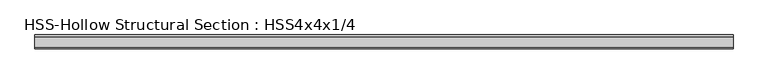
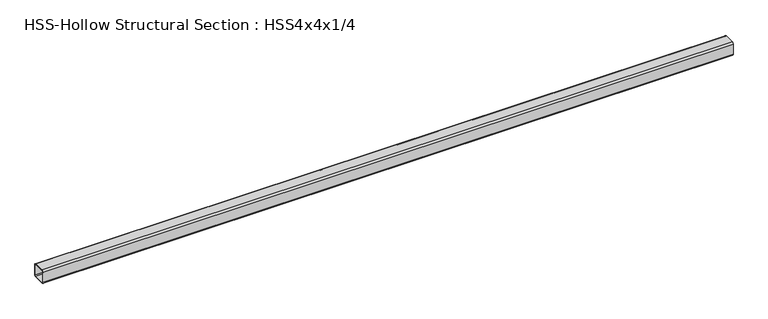
"""IFC4 building model written with IfcOpenShell, lengths in millimetres: member geometry, HSS-Hollow Structural Section : HSS4x4x1/4."""

from ifc_helpers import new_model, si_unit, point, frame, frame_2d, origin, place, context, project, spatial, polyline, circle_curve, trimmed, segment, composite_curve, outline, extrude, source, transform, mapped, element, save


def hss_hollow_structural_section_hss4x4x1_4_f7a160a8(model_context):
    return source(origin(), model_context, "Body", "SweptSolid", [
        extrude(outline(composite_curve([segment(polyline([(50.8, 38.9636), (50.8, -38.9636)]), True, "CONTINUOUS"), segment(trimmed(circle_curve(frame_2d((38.9636, -38.9636)), 11.8364), [point((50.8, -38.9636))], [point((38.9636, -50.8))], False, "CARTESIAN"), True, "CONTINUOUS"), segment(polyline([(38.9636, -50.8), (-38.9636, -50.8)]), True, "CONTINUOUS"), segment(trimmed(circle_curve(frame_2d((-38.9636, -38.9636)), 11.8364), [point((-38.9636, -50.8))], [point((-50.8, -38.9636))], False, "CARTESIAN"), True, "CONTINUOUS"), segment(polyline([(-50.8, -38.9636), (-50.8, 38.9636)]), True, "CONTINUOUS"), segment(trimmed(circle_curve(frame_2d((-38.9636, 38.9636)), 11.8364), [point((-50.8, 38.9636))], [point((-38.9636, 50.8))], False, "CARTESIAN"), True, "CONTINUOUS"), segment(polyline([(-38.9636, 50.8), (38.9636, 50.8)]), True, "CONTINUOUS"), segment(trimmed(circle_curve(frame_2d((38.9636, 38.9636)), 11.8364), [point((38.9636, 50.8))], [point((50.8, 38.9636))], False, "CARTESIAN"), True, "CONTINUOUS")], self_intersect=False), holes=[composite_curve([segment(trimmed(circle_curve(frame_2d((-38.9636, 38.9636)), 5.9182), [point((-38.9636, 44.8818))], [point((-44.8818, 38.9636))], True, "CARTESIAN"), True, "CONTINUOUS"), segment(polyline([(-44.8818, 38.9636), (-44.8818, -38.9636)]), True, "CONTINUOUS"), segment(trimmed(circle_curve(frame_2d((-38.9636, -38.9636)), 5.9182), [point((-44.8818, -38.9636))], [point((-38.9636, -44.8818))], True, "CARTESIAN"), True, "CONTINUOUS"), segment(polyline([(-38.9636, -44.8818), (38.9636, -44.8818)]), True, "CONTINUOUS"), segment(trimmed(circle_curve(frame_2d((38.9636, -38.9636)), 5.9182), [point((38.9636, -44.8818))], [point((44.8818, -38.9636))], True, "CARTESIAN"), True, "CONTINUOUS"), segment(polyline([(44.8818, -38.9636), (44.8818, 38.9636)]), True, "CONTINUOUS"), segment(trimmed(circle_curve(frame_2d((38.9636, 38.9636)), 5.9182), [point((44.8818, 38.9636))], [point((38.9636, 44.8818))], True, "CARTESIAN"), True, "CONTINUOUS"), segment(polyline([(38.9636, 44.8818), (-38.9636, 44.8818)]), True, "CONTINUOUS")], self_intersect=False)]), frame((-2647.8177529, 0.0, 0.0), z_axis=(1.0, 0.0, 0.0), x_axis=(0.0, 1.0, 0.0)), (0.0, 0.0, 1.0), 5103.4887494),
    ])


if __name__ == "__main__":
    model = new_model("IFC4")
    model_context = context("Model", 3, world=origin())
    ifc_project = project(units=[si_unit("LENGTHUNIT", "METRE", prefix="MILLI")], contexts=[model_context])
    site = spatial("IfcSite", under=ifc_project)
    building = spatial("IfcBuilding", under=site)
    placement = place(None, origin())
    hss_hollow_structural_section_hss4x4x1_4_shape = hss_hollow_structural_section_hss4x4x1_4_f7a160a8(model_context)
    element("IfcMember", 1, ObjectType="HSS-Hollow Structural Section : HSS4x4x1/4", at=placement, inside=building, context=model_context, shape_type="MappedRepresentation", body=[
        mapped(hss_hollow_structural_section_hss4x4x1_4_shape, transform((0.0, 0.0, 0.0), x_axis=(1.0, 0.0, 0.0), y_axis=(0.0, 1.0, 0.0), z_axis=(0.0, 0.0, 1.0))),
    ])
    save(model, "model.ifc")
